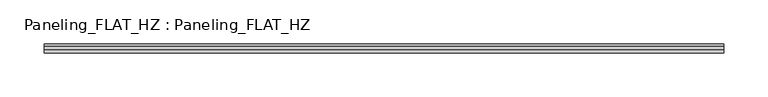
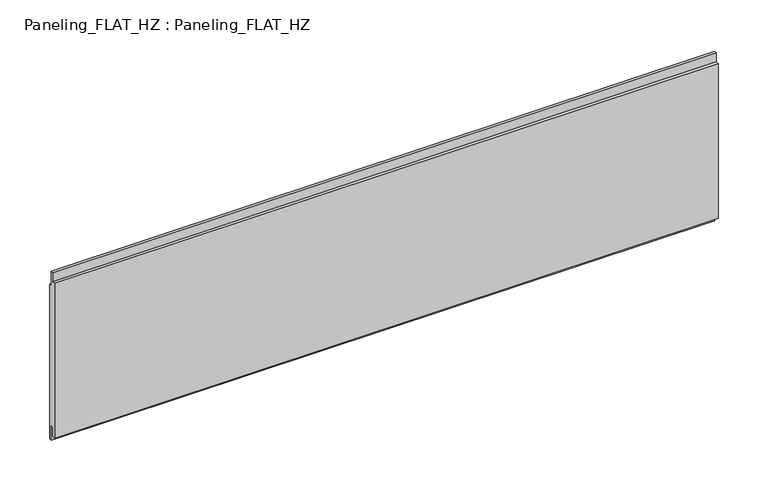
"""IFC4 building model written with IfcOpenShell, lengths in millimetres: plate geometry, Paneling_FLAT_HZ : Paneling_FLAT_HZ."""

from ifc_helpers import new_model, si_unit, frame, origin, place, context, project, spatial, polyline, outline, extrude, source, transform, mapped, element, save


def paneling_flat_hz_paneling_flat_hz_af1fa37b(model_context):
    return source(origin(), model_context, "Body", "SweptSolid", [
        extrude(outline(polyline([(-1.0, 200.0), (2.0, 200.0), (2.0, 182.0), (5.0, 182.0), (5.0, -7.0), (2.0, -7.0), (2.0, 11.0), (-1.0, 11.0), (-1.0, 0.0), (-5.0, 0.0), (-5.0, 189.0), (-1.0, 189.0), (-1.0, 200.0)])), frame((-383.4, 0.0, 0.0), z_axis=(1.0, 0.0, 0.0), x_axis=(0.0, 1.0, 0.0)), (0.0, 0.0, 1.0), 766.8),
    ])


if __name__ == "__main__":
    model = new_model("IFC4")
    model_context = context("Model", 3, world=origin())
    ifc_project = project(units=[si_unit("LENGTHUNIT", "METRE", prefix="MILLI")], contexts=[model_context])
    site = spatial("IfcSite", under=ifc_project)
    building = spatial("IfcBuilding", under=site)
    placement = place(None, origin())
    paneling_flat_hz_paneling_flat_hz_shape = paneling_flat_hz_paneling_flat_hz_af1fa37b(model_context)
    element("IfcPlate", 1, ObjectType="Paneling_FLAT_HZ : Paneling_FLAT_HZ", at=placement, inside=building, context=model_context, shape_type="MappedRepresentation", body=[
        mapped(paneling_flat_hz_paneling_flat_hz_shape, transform((0.0, 0.0, 0.0), x_axis=(1.0, 0.0, 0.0), y_axis=(0.0, 1.0, 0.0), z_axis=(0.0, 0.0, 1.0))),
    ])
    save(model, "model.ifc")
